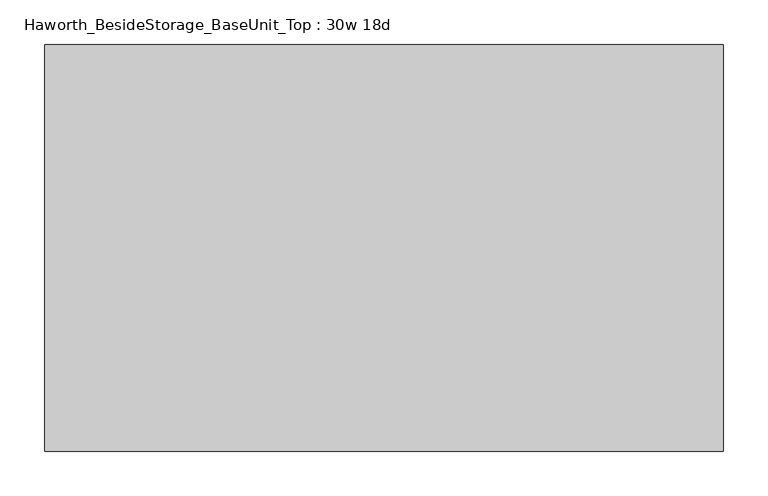
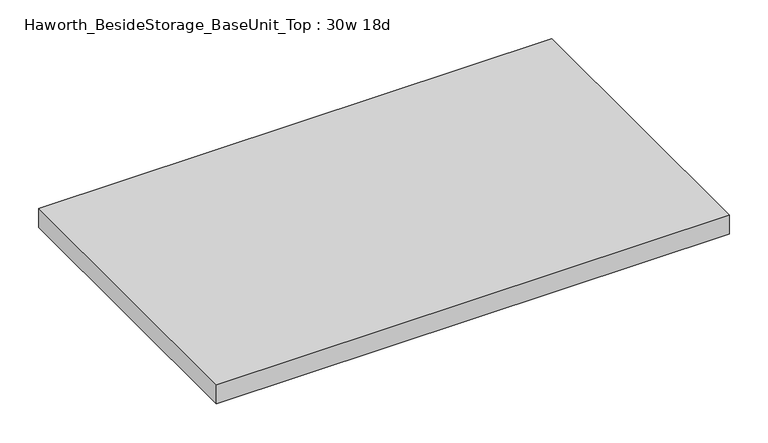
"""IFC4 building model written with IfcOpenShell, lengths in millimetres: furniture geometry, Haworth_BesideStorage_BaseUnit_Top : 30w 18d."""

from ifc_helpers import new_model, si_unit, frame, origin, place, context, project, spatial, polyline, outline, extrude, source, transform, mapped, element, save


def haworth_besidestorage_baseunit_top_30w_18d_4191792d(model_context):
    return source(origin(), model_context, "Body", "SweptSolid", [
        extrude(outline(polyline([(381.0, 228.6), (381.0, -228.6), (-381.0, -228.6), (-381.0, 228.6), (381.0, 228.6)])), frame((0.0, 0.0, 706.4375), z_axis=(0.0, 0.0, 1.0), x_axis=(1.0, 0.0, 0.0)), (0.0, 0.0, 1.0), 30.1625),
    ])


if __name__ == "__main__":
    model = new_model("IFC4")
    model_context = context("Model", 3, world=origin())
    ifc_project = project(units=[si_unit("LENGTHUNIT", "METRE", prefix="MILLI")], contexts=[model_context])
    site = spatial("IfcSite", under=ifc_project)
    building = spatial("IfcBuilding", under=site)
    placement = place(None, origin())
    haworth_besidestorage_baseunit_top_30w_18d_shape = haworth_besidestorage_baseunit_top_30w_18d_4191792d(model_context)
    element("IfcFurniture", 1, ObjectType="Haworth_BesideStorage_BaseUnit_Top : 30w 18d", at=placement, inside=building, context=model_context, shape_type="MappedRepresentation", body=[
        mapped(haworth_besidestorage_baseunit_top_30w_18d_shape, transform((0.0, 0.0, 0.0), x_axis=(1.0, 0.0, 0.0), y_axis=(0.0, 1.0, 0.0), z_axis=(0.0, 0.0, 1.0))),
    ])
    save(model, "model.ifc")
